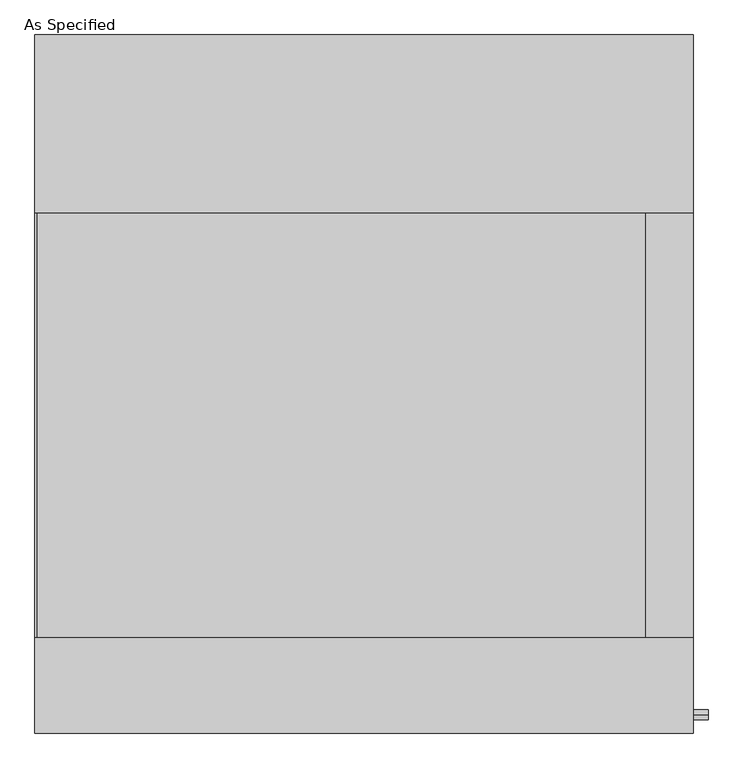
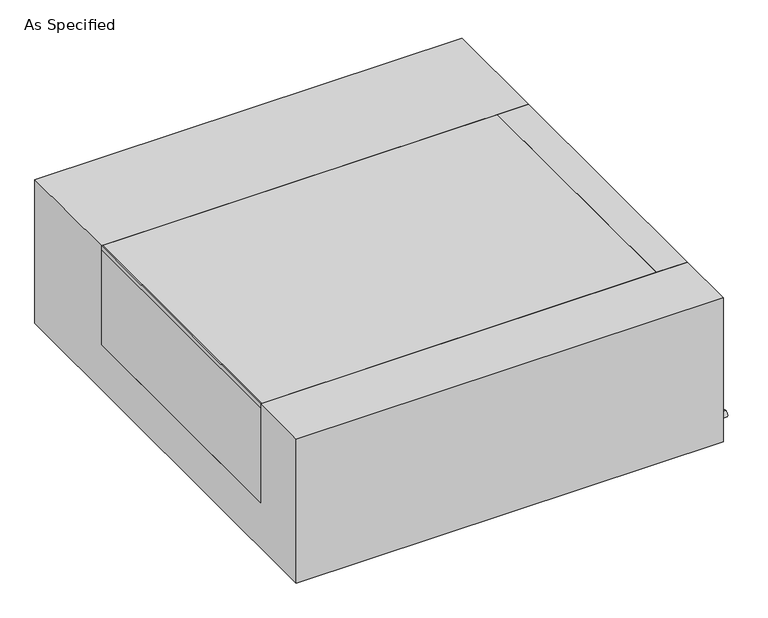
"""IFC4 building model written with IfcOpenShell, lengths in millimetres: proxy geometry, As Specified."""

from ifc_helpers import new_model, si_unit, point, frame, frame_2d, origin, place, context, project, spatial, polyline, circle_curve, trimmed, segment, composite_curve, outline, extrude, source, transform, mapped, element, save


def as_specified_c91efbbc(model_context):
    return source(origin(), model_context, "Body", "SweptSolid", [
        extrude(outline(composite_curve([segment(trimmed(circle_curve(frame_2d((-712.7875, -466.725)), 10.5), [point((-712.7875, -456.225))], [point((-712.7875, -477.225))], False, "CARTESIAN"), True, "CONTINUOUS"), segment(trimmed(circle_curve(frame_2d((-712.7875, -466.725)), 10.5), [point((-712.7875, -477.225))], [point((-712.7875, -456.225))], False, "CARTESIAN"), True, "CONTINUOUS")], self_intersect=False)), frame((709.6125, 0.0, 0.0), z_axis=(1.0, 0.0, 0.0), x_axis=(0.0, 1.0, 0.0)), (0.0, 0.0, 1.0), 31.8403384),
        extrude(outline(polyline([(607.21875, -546.1), (607.21875, 368.3), (709.6125, 368.3), (709.6125, -546.1), (607.21875, -546.1)])), frame((0.0, 0.0, -373.0625), z_axis=(0.0, 0.0, 1.0), x_axis=(1.0, 0.0, 0.0)), (0.0, 0.0, 1.0), 347.6625),
        extrude(outline(polyline([(-705.64375, -546.1), (-709.6125, -546.1), (-709.6125, 368.3), (-705.64375, 368.3), (-705.64375, -546.1)])), frame((0.0, 0.0, -39.6875), z_axis=(0.0, 0.0, 1.0), x_axis=(1.0, 0.0, 0.0)), (0.0, 0.0, 1.0), 14.2875),
        extrude(outline(polyline([(607.21875, 368.3), (607.21875, -546.1), (-709.6125, -546.1), (-709.6125, 368.3), (607.21875, 368.3)])), frame((0.0, 0.0, -373.0625), z_axis=(0.0, 0.0, 1.0), x_axis=(1.0, 0.0, 0.0)), (0.0, 0.0, 1.0), 347.6625),
        extrude(outline(polyline([(752.475, -25.4), (752.475, -530.225), (-752.475, -530.225), (-752.475, -25.4), (-546.1, -25.4), (-546.1, -373.0625), (368.3, -373.0625), (368.3, -25.4), (752.475, -25.4)])), frame((-709.6125, 0.0, 0.0), z_axis=(1.0, 0.0, 0.0), x_axis=(0.0, 1.0, 0.0)), (0.0, 0.0, 1.0), 1419.225),
    ])


if __name__ == "__main__":
    model = new_model("IFC4")
    model_context = context("Model", 3, world=origin())
    ifc_project = project(units=[si_unit("LENGTHUNIT", "METRE", prefix="MILLI")], contexts=[model_context])
    site = spatial("IfcSite", under=ifc_project)
    building = spatial("IfcBuilding", under=site)
    placement = place(None, origin())
    as_specified_shape = as_specified_c91efbbc(model_context)
    element("IfcBuildingElementProxy", 1, Name="As Specified", ObjectType="As Specified", at=placement, inside=building, context=model_context, shape_type="MappedRepresentation", body=[
        mapped(as_specified_shape, transform((0.0, 0.0, 0.0), x_axis=(1.0, 0.0, 0.0), y_axis=(0.0, 1.0, 0.0), z_axis=(0.0, 0.0, 1.0))),
    ])
    save(model, "model.ifc")
